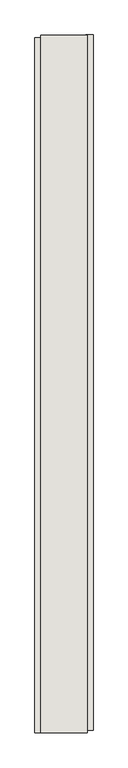
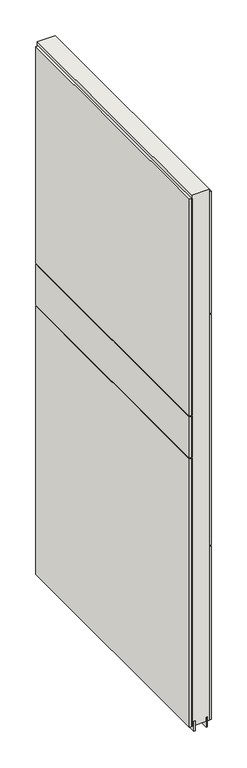
"""IFC4 building model written with IfcOpenShell, lengths in millimetres: wall geometry."""

from ifc_helpers import new_model, si_unit, frame, origin, place, context, project, spatial, polyline, outline, extrude, source, transform, mapped, element, save


def wall_dbe61366(model_context):
    return source(origin(), model_context, "Body", "SweptSolid", [
        extrude(outline(polyline([(70311.4341546, -40630.432836), (70311.4341546, -40632.972836), (70308.8941546, -40632.972836), (70308.8941546, -40630.432836), (70311.4341546, -40630.432836)])), frame((0.0, 0.0, 4419.6), z_axis=(0.0, 0.0, 1.0), x_axis=(1.0, 0.0, 0.0)), (0.0, 0.0, 1.0), 2.54),
        extrude(outline(polyline([(70259.3641546, -41850.0965638), (70259.3641546, -40634.8965558), (70272.0641546, -40634.8965558), (70272.0641546, -41850.0965638), (70259.3641546, -41850.0965638)])), frame((0.0, 0.0, 5945.6000722), z_axis=(0.0, 0.0, 1.0), x_axis=(1.0, 0.0, 0.0)), (0.0, 0.0, 1.0), 1044.449905),
        extrude(outline(polyline([(70259.3641546, -41850.0965638), (70259.3641546, -40634.8965558), (70272.0641546, -40634.8965558), (70272.0641546, -41850.0965638), (70259.3641546, -41850.0965638)])), frame((0.0, 0.0, 5742.3999706), z_axis=(0.0, 0.0, 1.0), x_axis=(1.0, 0.0, 0.0)), (0.0, 0.0, 1.0), 199.2000512),
        extrude(outline(polyline([(70259.3641546, -41850.0965638), (70259.3641546, -40634.8965558), (70272.0641546, -40634.8965558), (70272.0641546, -41850.0965638), (70259.3641546, -41850.0965638)])), frame((0.0, 0.0, 4445.0), z_axis=(0.0, 0.0, 1.0), x_axis=(1.0, 0.0, 0.0)), (0.0, 0.0, 1.0), 1293.400004),
        extrude(outline(polyline([(70360.9641546, -40629.966619), (70360.9641546, -41845.166627), (70348.2641546, -41845.166627), (70348.2641546, -40629.966619), (70360.9641546, -40629.966619)])), frame((0.0, 0.0, 6402.8000722), z_axis=(0.0, 0.0, 1.0), x_axis=(1.0, 0.0, 0.0)), (0.0, 0.0, 1.0), 587.2498034),
        extrude(outline(polyline([(70360.9641546, -40629.966619), (70360.9641546, -41845.166627), (70348.2641546, -41845.166627), (70348.2641546, -40629.966619), (70360.9641546, -40629.966619)])), frame((0.0, 0.0, 5285.2000722), z_axis=(0.0, 0.0, 1.0), x_axis=(1.0, 0.0, 0.0)), (0.0, 0.0, 1.0), 1113.5999572),
        extrude(outline(polyline([(70360.9641546, -40629.966619), (70360.9641546, -41845.166627), (70348.2641546, -41845.166627), (70348.2641546, -40629.966619), (70360.9641546, -40629.966619)])), frame((0.0, 0.0, 4445.0), z_axis=(0.0, 0.0, 1.0), x_axis=(1.0, 0.0, 0.0)), (0.0, 0.0, 1.0), 836.200004),
        extrude(outline(polyline([(70285.0742124, -40630.4253938), (70285.0742124, -41849.6253938), (70279.995457, -41849.6253938), (70279.995457, -40630.4253938), (70285.0742124, -40630.4253938)])), frame((0.0, 0.0, 4418.6602), z_axis=(0.0, 0.0, 1.0), x_axis=(1.0, 0.0, 0.0)), (0.0, 0.0, 1.0), 47.625),
        extrude(outline(polyline([(70285.0742124, -40630.4253938), (70285.0742124, -41849.6253938), (70279.995457, -41849.6253938), (70279.995457, -40630.4253938), (70285.0742124, -40630.4253938)])), frame((0.0, 0.0, 4418.6602), z_axis=(0.0, 0.0, 1.0), x_axis=(1.0, 0.0, 0.0)), (0.0, 0.0, 1.0), 47.625),
        extrude(outline(polyline([(70335.2417016, -41849.6253938), (70335.2417016, -40630.4253938), (70340.320457, -40630.4253938), (70340.320457, -41849.6253938), (70335.2417016, -41849.6253938)])), frame((0.0, 0.0, 4418.6602), z_axis=(0.0, 0.0, 1.0), x_axis=(1.0, 0.0, 0.0)), (0.0, 0.0, 1.0), 47.625),
        extrude(outline(polyline([(70335.2417016, -41849.6253938), (70335.2417016, -40630.4253938), (70340.320457, -40630.4253938), (70340.320457, -41849.6253938), (70335.2417016, -41849.6253938)])), frame((0.0, 0.0, 4418.6602), z_axis=(0.0, 0.0, 1.0), x_axis=(1.0, 0.0, 0.0)), (0.0, 0.0, 1.0), 47.625),
        extrude(outline(polyline([(70269.534086, -40630.4253938), (70350.8128414, -40630.4253938), (70350.8128414, -41849.6253938), (70269.534086, -41849.6253938), (70269.534086, -40630.4253938)])), frame((0.0, 0.0, 4445.0), z_axis=(0.0, 0.0, 1.0), x_axis=(1.0, 0.0, 0.0)), (0.0, 0.0, 1.0), 2562.4536762),
    ])


if __name__ == "__main__":
    model = new_model("IFC4")
    model_context = context("Model", 3, world=origin())
    ifc_project = project(units=[si_unit("LENGTHUNIT", "METRE", prefix="MILLI")], contexts=[model_context])
    site = spatial("IfcSite", under=ifc_project)
    building = spatial("IfcBuilding", under=site)
    placement = place(None, origin())
    wall_shape = wall_dbe61366(model_context)
    element("IfcWall", 1, at=placement, inside=building, context=model_context, shape_type="MappedRepresentation", body=[
        mapped(wall_shape, transform((0.0, 0.0, 0.0), x_axis=(1.0, 0.0, 0.0), y_axis=(0.0, 1.0, 0.0), z_axis=(0.0, 0.0, 1.0))),
    ])
    save(model, "model.ifc")
